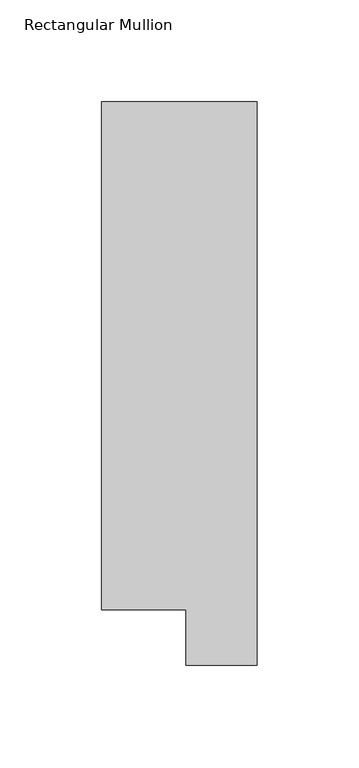
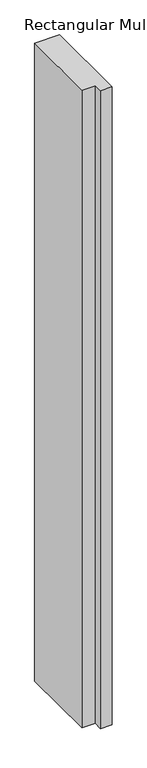
"""IFC4 building model written with IfcOpenShell, lengths in millimetres: member geometry, Rectangular Mullion."""

from ifc_helpers import new_model, si_unit, frame, origin, place, context, project, spatial, polyline, outline, extrude, source, transform, mapped, element, save


def rectangular_mullion_6fd40460(model_context):
    return source(origin(), model_context, "Body", "SweptSolid", [
        extrude(outline(polyline([(0.0, 295.9695313), (0.0, 19.5667312), (-34.9123, 19.5667312), (-34.9123, 46.7447302), (-76.2, 46.7447302), (-76.2, 295.9695313), (0.0, 295.9695313)])), frame((0.0, 0.0, -2057.3999967), z_axis=(0.0, 0.0, 1.0), x_axis=(1.0, 0.0, 0.0)), (0.0, 0.0, 1.0), 2057.3999967),
    ])


if __name__ == "__main__":
    model = new_model("IFC4")
    model_context = context("Model", 3, world=origin())
    ifc_project = project(units=[si_unit("LENGTHUNIT", "METRE", prefix="MILLI")], contexts=[model_context])
    site = spatial("IfcSite", under=ifc_project)
    building = spatial("IfcBuilding", under=site)
    placement = place(None, origin())
    rectangular_mullion_shape = rectangular_mullion_6fd40460(model_context)
    element("IfcMember", 1, ObjectType="Rectangular Mullion", at=placement, inside=building, context=model_context, shape_type="MappedRepresentation", body=[
        mapped(rectangular_mullion_shape, transform((0.0, 0.0, 0.0), x_axis=(1.0, 0.0, 0.0), y_axis=(0.0, 1.0, 0.0), z_axis=(0.0, 0.0, 1.0))),
    ])
    save(model, "model.ifc")
